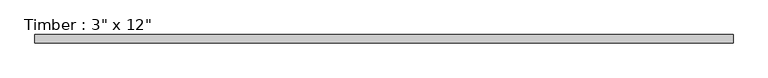
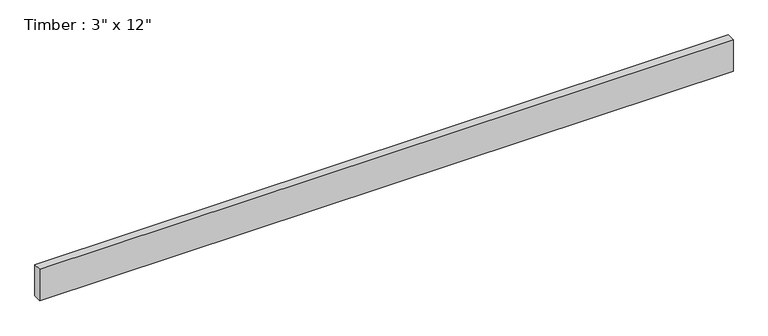
"""IFC4 building model written with IfcOpenShell, lengths in millimetres: beam geometry."""

import ifcopenshell
import ifcopenshell.guid

model = None  # the IFC model being written
_history = None  # IfcOwnerHistory: only IFC2X3 demands one
_inside = {}  # id of a spatial element -> (the spatial element, [elements in it])
_under = {}  # id of a project, library or spatial element -> (it, [spatial elements below it])
_declared = {}  # id of a project -> (the project, [libraries it declares])
_typed = {}  # id of a type object -> (the type object, [elements of that type])
_made_of = {}  # id of a material, layer set ... -> (it, [elements and type objects made of it])


def new_model(schema):
    """Start an empty IFC model of exactly this schema.

    Asked for "IFC4X3", IfcOpenShell would pick the latest addendum, in which some entities
    have other attributes; the version numbers below select the first issue.
    IFC2X3 requires an IfcOwnerHistory on every rooted entity: one is made here for all.
    """
    global model, _history
    if schema == "IFC4X3":
        model = ifcopenshell.file(schema_version=(4, 3, 0, 0))
    else:
        model = ifcopenshell.file(schema=schema)
    _inside.clear()
    _under.clear()
    _declared.clear()
    _typed.clear()
    _made_of.clear()
    _history = None
    if model.schema == "IFC2X3":
        org = make("IfcOrganization", Name="unknown")
        user = make(
            "IfcPersonAndOrganization",
            ThePerson=make("IfcPerson", FamilyName="unknown"),
            TheOrganization=org,
        )
        app = make(
            "IfcApplication",
            ApplicationDeveloper=org,
            Version="unknown",
            ApplicationFullName="unknown",
            ApplicationIdentifier="unknown",
        )
        _history = make(
            "IfcOwnerHistory",
            OwningUser=user,
            OwningApplication=app,
            ChangeAction="ADDED",
            CreationDate=0,
        )
    return model


def make(cls, **values):
    """One entity of the class cls with the attributes given. An attribute that is None is left unset."""
    return model.create_entity(
        cls, **{name: value for name, value in values.items() if value is not None}
    )


def rooted(cls, **values):
    """An entity with a GlobalId (a new one), such as an element, a storey or a relation."""
    return make(cls, GlobalId=ifcopenshell.guid.new(), OwnerHistory=_history, **values)


def si_unit(unit_type, name, prefix=None):
    """IfcSIUnit, for example si_unit("LENGTHUNIT", "METRE", prefix="MILLI")."""
    return make("IfcSIUnit", UnitType=unit_type, Prefix=prefix, Name=name)


def assignment(units):
    """IfcUnitAssignment: the units of a project."""
    return None if units is None else make("IfcUnitAssignment", Units=units)


def point(xyz):
    """IfcCartesianPoint."""
    return None if xyz is None else make("IfcCartesianPoint", Coordinates=xyz)


def direction(xyz):
    """IfcDirection."""
    return None if xyz is None else make("IfcDirection", DirectionRatios=xyz)


def frame(location, z_axis=None, x_axis=None):
    """IfcAxis2Placement3D, a coordinate frame: its origin and axes. An axis left out is left unset."""
    return make(
        "IfcAxis2Placement3D",
        Location=point(location),
        Axis=direction(z_axis),
        RefDirection=direction(x_axis),
    )


def origin():
    """The frame at (0, 0, 0) with its axes left unset."""
    return frame((0.0, 0.0, 0.0))


def place(relative_to, where):
    """IfcLocalPlacement: puts the frame where relative to a parent placement (None: the world)."""
    return make(
        "IfcLocalPlacement", PlacementRelTo=relative_to, RelativePlacement=where
    )


def context(
    kind, dimensions, precision=None, world=None, true_north=None, identifier=None
):
    """IfcGeometricRepresentationContext, for example the 3D "Model" context."""
    return make(
        "IfcGeometricRepresentationContext",
        ContextIdentifier=identifier,
        ContextType=kind,
        CoordinateSpaceDimension=dimensions,
        Precision=precision,
        WorldCoordinateSystem=world,
        TrueNorth=true_north,
    )


def project(units=None, contexts=None):
    """IfcProject with its units and contexts."""
    return rooted(
        "IfcProject",
        Name="project",
        RepresentationContexts=contexts,
        UnitsInContext=assignment(units),
    )


def spatial(cls, under=None, at=None, **own):
    """A site, building, storey or space (cls), placed at a placement, below another one or the project."""
    s = rooted(cls, ObjectPlacement=at, **own)
    if under is not None:
        _under.setdefault(under.id(), (under, []))[1].append(s)
    return s


def polyline(points):
    """IfcPolyline through the points."""
    return make("IfcPolyline", Points=[point(p) for p in points])


def outline(outer, holes=None, kind="AREA"):
    """IfcArbitraryClosedProfileDef: a profile drawn as a closed curve; with holes, ...WithVoids."""
    if holes is None:
        return make("IfcArbitraryClosedProfileDef", ProfileType=kind, OuterCurve=outer)
    return make(
        "IfcArbitraryProfileDefWithVoids",
        ProfileType=kind,
        OuterCurve=outer,
        InnerCurves=holes,
    )


def extrude(swept, where, along, depth):
    """IfcExtrudedAreaSolid: the profile swept, set in the frame where, extruded along a direction by depth."""
    return make(
        "IfcExtrudedAreaSolid",
        SweptArea=swept,
        Position=where,
        ExtrudedDirection=direction(along),
        Depth=depth,
    )


def shape(context_of_items, identifier, shape_type, items):
    """IfcShapeRepresentation: the items that make up one representation, for example the "Body"."""
    return make(
        "IfcShapeRepresentation",
        ContextOfItems=context_of_items,
        RepresentationIdentifier=identifier,
        RepresentationType=shape_type,
        Items=items,
    )


def source(mapping_origin, context_of_items, identifier, shape_type, items):
    """IfcRepresentationMap: a shape defined once, which mapped items show again and again."""
    return make(
        "IfcRepresentationMap",
        MappingOrigin=mapping_origin,
        MappedRepresentation=shape(context_of_items, identifier, shape_type, items),
    )


def transform(
    local_origin,
    x_axis=None,
    y_axis=None,
    z_axis=None,
    scale=None,
    scale2=None,
    scale3=None,
    uniform=True,
):
    """IfcCartesianTransformationOperator3D, or its non-uniform kind. x_axis, y_axis, z_axis: its Axis1, 2, 3."""
    if uniform:
        return make(
            "IfcCartesianTransformationOperator3D",
            Axis1=direction(x_axis),
            Axis2=direction(y_axis),
            LocalOrigin=point(local_origin),
            Scale=scale,
            Axis3=direction(z_axis),
        )
    return make(
        "IfcCartesianTransformationOperator3DnonUniform",
        Axis1=direction(x_axis),
        Axis2=direction(y_axis),
        LocalOrigin=point(local_origin),
        Scale=scale,
        Axis3=direction(z_axis),
        Scale2=scale2,
        Scale3=scale3,
    )


def mapped(mapping_source, mapping_target):
    """IfcMappedItem: shows the shape of a source again, moved by a transform."""
    return make(
        "IfcMappedItem", MappingSource=mapping_source, MappingTarget=mapping_target
    )


def made_of(thing, what):
    """Note that an element or type object is made of a material, layer set ...; save() writes the relation."""
    if what is not None:
        _made_of.setdefault(what.id(), (what, []))[1].append(thing)
    return thing


def element(
    cls,
    number,
    at=None,
    inside=None,
    cuts=None,
    type_object=None,
    material=None,
    context=None,
    identifier="Body",
    shape_type=None,
    held_by="IfcProductDefinitionShape",
    body=None,
    shapes=None,
    **own,
):
    """One element of the class cls, such as IfcWall. Its Tag is "e" and its number.

    at: its placement. inside: the storey or other place that contains it. cuts: it is an
    opening in that element (IfcRelVoidsElement). A single representation is given by context,
    identifier, shape_type and body (its items); several are given by shapes. held_by: the class
    of the entity that holds the representations. save() writes the other relations.
    """
    e = rooted(cls, Tag="e%d" % number, ObjectPlacement=at, **own)
    if body is not None:
        shapes = [shape(context, identifier, shape_type, body)]
    if shapes is not None:
        e.Representation = make(held_by, Representations=shapes)
    if inside is not None:
        _inside.setdefault(inside.id(), (inside, []))[1].append(e)
    if cuts is not None:
        rooted(
            "IfcRelVoidsElement", RelatingBuildingElement=cuts, RelatedOpeningElement=e
        )
    if type_object is not None:
        _typed.setdefault(type_object.id(), (type_object, []))[1].append(e)
    return made_of(e, material)


def aggregate(whole, parts):
    """IfcRelAggregates: a whole, such as a stair, and the parts it consists of."""
    return rooted("IfcRelAggregates", RelatingObject=whole, RelatedObjects=parts)


def save(model, path):
    """Write the relations noted so far, then the file.

    IfcRelAggregates (storeys below a building ...), IfcRelContainedInSpatialStructure (elements
    in a storey), IfcRelDefinesByType, IfcRelAssociatesMaterial and IfcRelDeclares: one each for
    every whole, place, type object, material and project.
    """
    for whole, parts in _under.values():
        aggregate(whole, parts)
    for where, things in _inside.values():
        rooted(
            "IfcRelContainedInSpatialStructure",
            RelatedElements=things,
            RelatingStructure=where,
        )
    for kind, things in _typed.values():
        rooted("IfcRelDefinesByType", RelatedObjects=things, RelatingType=kind)
    for what, things in _made_of.values():
        rooted("IfcRelAssociatesMaterial", RelatedObjects=things, RelatingMaterial=what)
    for by, libraries in _declared.values():
        rooted("IfcRelDeclares", RelatingContext=by, RelatedDefinitions=libraries)
    model.write(path)


def beam_75d18b73(model_context):
    return source(origin(), model_context, "Body", "SweptSolid", [
        extrude(outline(polyline([(3188.9255821, 38.1), (3188.9255821, -38.1), (-3188.9255821, -38.1), (-3188.9255821, 38.1), (3188.9255821, 38.1)])), frame((0.0, 0.0, -152.4), z_axis=(0.0, 0.0, 1.0), x_axis=(1.0, 0.0, 0.0)), (0.0, 0.0, 1.0), 304.8),
    ])


if __name__ == "__main__":
    model = new_model("IFC4")
    model_context = context("Model", 3, world=origin())
    ifc_project = project(units=[si_unit("LENGTHUNIT", "METRE", prefix="MILLI")], contexts=[model_context])
    site = spatial("IfcSite", under=ifc_project)
    building = spatial("IfcBuilding", under=site)
    placement = place(None, origin())
    beam_shape = beam_75d18b73(model_context)
    element("IfcBeam", 1, ObjectType="Timber : 3\" x 12\"", at=placement, inside=building, context=model_context, shape_type="MappedRepresentation", body=[
        mapped(beam_shape, transform((0.0, 0.0, 0.0), x_axis=(1.0, 0.0, 0.0), y_axis=(0.0, 1.0, 0.0), z_axis=(0.0, 0.0, 1.0))),
    ])
    save(model, "model.ifc")
